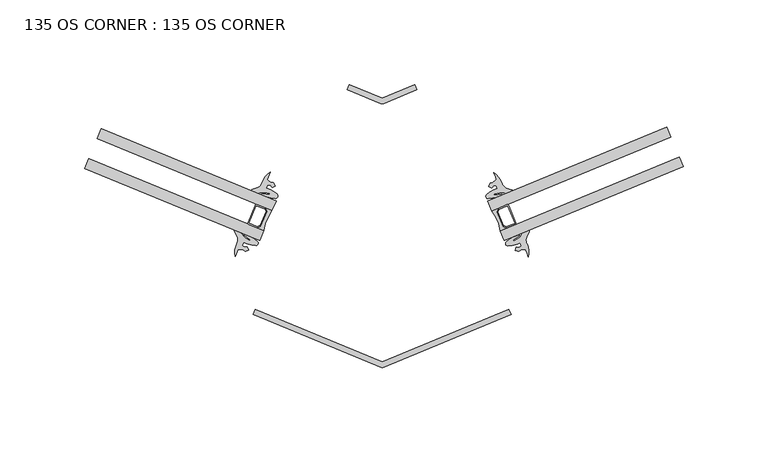
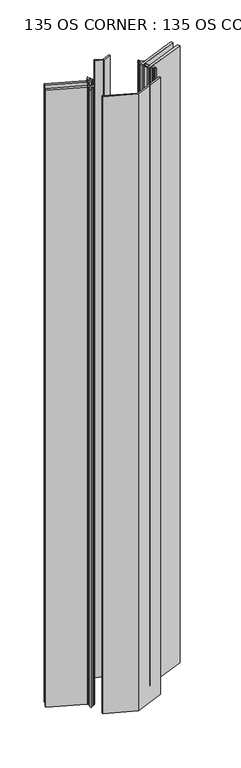
"""IFC4 building model written with IfcOpenShell, lengths in millimetres: plate geometry, 135 OS CORNER : 135 OS CORNER."""

from ifc_helpers import new_model, si_unit, point, frame_2d, origin, origin_with_axes, place, context, project, spatial, polyline, circle_curve, trimmed, segment, composite_curve, outline, extrude, source, transform, mapped, element, save


def plate_135_os_corner_135_os_corner_ef674a41(model_context):
    return source(origin(), model_context, "Body", "SweptSolid", [
        extrude(outline(composite_curve([segment(trimmed(circle_curve(frame_2d((-247.4179861, 32.050982)), 25.796875), [point((-268.0907983, 47.4819119))], [point((-272.9486148, 35.7477047))], True, "CARTESIAN"), True, "CONTINUOUS"), segment(polyline([(-272.9486148, 35.7477047), (-276.6155546, 37.2657723), (-274.5415516, 38.1253212), (-270.8981892, 46.9259766), (-271.757738, 48.9999795), (-268.0907983, 47.4819119)]), True, "CONTINUOUS")], self_intersect=False)), origin_with_axes(), (0.0, 0.0, 1.0), 1710.2666667),
        extrude(outline(composite_curve([segment(trimmed(circle_curve(frame_2d((-281.4456567, 40.124455)), 0.79375), [point((-281.7492702, 39.3910671))], [point((-282.1790446, 40.4280686))], False, "CARTESIAN"), True, "CONTINUOUS"), segment(polyline([(-282.1790446, 40.4280686), (-277.9284552, 50.6954999)]), True, "CONTINUOUS"), segment(trimmed(circle_curve(frame_2d((-277.1950672, 50.3918863)), 0.79375), [point((-277.9284552, 50.6954999))], [point((-276.8914537, 51.1252743))], False, "CARTESIAN"), True, "CONTINUOUS"), segment(polyline([(-276.8914537, 51.1252743), (-271.757738, 48.9999795), (-270.8981892, 46.9259766), (-274.5415516, 38.1253212), (-276.6155546, 37.2657723), (-281.7492702, 39.3910671)]), True, "CONTINUOUS")], self_intersect=False), holes=[polyline([(-275.1491787, 38.7327139), (-271.757338, 46.9258109), (-272.3651308, 48.3923524), (-277.1950672, 50.3918863), (-281.4456567, 40.124455), (-276.6157203, 38.1249211), (-275.1491787, 38.7327139)])]), origin_with_axes(), (0.0, 0.0, 1.0), 1710.2666667),
        extrude(outline(composite_curve([segment(trimmed(circle_curve(frame_2d((-159.1102684, 31.9815781)), 25.796875), [point((-133.5785892, 35.671038))], [point((-138.4330674, 47.4066266))], True, "CARTESIAN"), True, "CONTINUOUS"), segment(polyline([(-138.4330674, 47.4066266), (-134.765696, 48.923651), (-135.6258348, 46.8498927), (-131.9849761, 38.0482012), (-129.9112177, 37.1880624), (-133.5785892, 35.671038)]), True, "CONTINUOUS")], self_intersect=False)), origin_with_axes(), (0.0, 0.0, 1.0), 1710.2666667),
        extrude(outline(composite_curve([segment(trimmed(circle_curve(frame_2d((-129.3279711, 50.314011)), 0.79375), [point((-129.631376, 51.0474853))], [point((-128.5944968, 50.6174159))], False, "CARTESIAN"), True, "CONTINUOUS"), segment(polyline([(-128.5944968, 50.6174159), (-124.3468283, 40.3487759)]), True, "CONTINUOUS"), segment(trimmed(circle_curve(frame_2d((-125.0803026, 40.045371)), 0.79375), [point((-124.3468283, 40.3487759))], [point((-124.7768977, 39.3118967))], False, "CARTESIAN"), True, "CONTINUOUS"), segment(polyline([(-124.7768977, 39.3118967), (-129.9112177, 37.1880624), (-131.9849761, 38.0482012), (-135.6258348, 46.8498927), (-134.765696, 48.923651), (-129.631376, 51.0474853)]), True, "CONTINUOUS")], self_intersect=False), holes=[polyline([(-129.9108076, 38.0472111), (-125.0803026, 40.045371), (-129.3279711, 50.314011), (-134.1584761, 48.3158512), (-134.7666861, 46.8494826), (-131.3771762, 38.6554211), (-129.9108076, 38.0472111)])]), origin_with_axes(), (0.0, 0.0, 1.0), 1710.2666667),
        extrude(outline(polyline([(-275.3775231, 29.8806011), (-378.3408267, 72.5061342), (-375.9119185, 78.3732378), (-272.9486148, 35.7477047), (-275.3775231, 29.8806011)])), origin_with_axes(), (0.0, 0.0, 1.0), 1710.2666667),
        extrude(outline(polyline([(-268.0907983, 47.4819119), (-371.054102, 90.107445), (-368.6251937, 95.9745486), (-265.66189, 53.3490155), (-268.0907983, 47.4819119)])), origin_with_axes(), (0.0, 0.0, 1.0), 1710.2666667),
        extrude(outline(polyline([(-131.15135, 29.8032436), (-133.5785892, 35.671038), (-28.1455513, 79.2838817), (-25.7183122, 73.4160874), (-131.15135, 29.8032436)])), origin_with_axes(), (0.0, 0.0, 1.0), 1710.2666667),
        extrude(outline(polyline([(-33.0000296, 91.0194703), (-138.4330674, 47.4066266), (-140.8603066, 53.2744209), (-35.4272687, 96.8872647), (-33.0000296, 91.0194703)])), origin_with_axes(), (0.0, 0.0, 1.0), 1710.2666667),
        extrude(outline(polyline([(-127.1464657, -13.6338909), (-203.0315988, -45.0646833), (-278.9976671, -13.5708443), (-277.7817357, -10.6379046), (-203.1101326, -41.6606578), (-128.3619856, -10.7007806), (-127.1464657, -13.6338909)])), origin_with_axes(), (0.0, 0.0, 1.0), 1710.2666667),
        extrude(outline(composite_curve([segment(polyline([(-222.4045675, 121.8222341), (-203.1891079, 113.8421424), (-183.9125686, 121.8066819), (-182.6977616, 118.8732764), (-202.2412193, 110.7841258)]), True, "CONTINUOUS"), segment(trimmed(circle_curve(frame_2d((-203.1543347, 112.9902205)), 2.3876), [point((-202.2412193, 110.7841258))], [point((-204.0686104, 110.7846064))], False, "CARTESIAN"), True, "CONTINUOUS"), segment(polyline([(-204.0686104, 110.7846064), (-223.6208366, 118.8894345), (-222.4045675, 121.8222341)]), True, "CONTINUOUS")], self_intersect=False)), origin_with_axes(), (0.0, 0.0, 1.0), 1710.2666667),
        extrude(outline(composite_curve([segment(trimmed(circle_curve(frame_2d((-277.1452751, 44.485112)), 17.5118633), [point((-277.6403116, 26.9802471))], [point((-282.4746403, 27.8038883))], False, "CARTESIAN"), True, "CONTINUOUS"), segment(polyline([(-282.4746403, 27.8038883), (-284.7284864, 28.7145013), (-285.4263814, 26.9871506), (-284.3724356, 25.9602656), (-282.5321942, 26.218532), (-281.8493895, 24.2730407), (-283.9325974, 23.5786607), (-285.1582624, 24.5002423), (-287.8831093, 24.7072775), (-288.5778092, 23.3183342), (-289.6133399, 20.4326303)]), True, "CONTINUOUS"), segment(trimmed(circle_curve(frame_2d((-277.7091477, 23.0857858)), 12.196271), [point((-289.6133399, 20.4326303))], [point((-288.8719404, 27.9991439))], False, "CARTESIAN"), True, "CONTINUOUS"), segment(trimmed(circle_curve(frame_2d((-293.018268, 30.3489823)), 4.765897), [point((-288.8719404, 27.9991439))], [point((-288.5814515, 32.0892218))], True, "CARTESIAN"), True, "CONTINUOUS"), segment(polyline([(-288.5814515, 32.0892218), (-290.2849457, 35.395195)]), True, "CONTINUOUS"), segment(trimmed(circle_curve(frame_2d((-289.9103386, 35.5262648)), 0.396875), [point((-290.2849457, 35.395195))], [point((-289.7616666, 35.8942409))], False, "CARTESIAN"), True, "CONTINUOUS"), segment(polyline([(-289.7616666, 35.8942409), (-286.7331073, 34.6273469)]), True, "CONTINUOUS"), segment(trimmed(circle_curve(frame_2d((-287.5869516, 32.7907003)), 2.0254186), [point((-286.7331073, 34.6273469))], [point((-285.8422353, 33.8194305))], False, "CARTESIAN"), True, "CONTINUOUS"), segment(polyline([(-285.8422353, 33.8194305), (-284.7973132, 32.3424681)]), True, "CONTINUOUS"), segment(trimmed(circle_curve(frame_2d((-276.5801863, 40.882302)), 11.8511576), [point((-284.7973132, 32.3424681))], [point((-283.740965, 31.4391465))], True, "CARTESIAN"), True, "CONTINUOUS"), segment(polyline([(-283.740965, 31.4391465), (-281.0366052, 29.8744942)]), True, "CONTINUOUS"), segment(trimmed(circle_curve(frame_2d((-280.8997816, 30.1109815)), 0.2732159), [point((-281.0366052, 29.8744942))], [point((-280.7629579, 30.3474687))], True, "CARTESIAN"), True, "CONTINUOUS"), segment(polyline([(-280.7629579, 30.3474687), (-284.1516292, 32.895422)]), True, "CONTINUOUS"), segment(trimmed(circle_curve(frame_2d((-283.9738266, 33.1647136)), 0.3226944), [point((-284.1516292, 32.895422))], [point((-283.8637925, 33.4680685))], False, "CARTESIAN"), True, "CONTINUOUS"), segment(polyline([(-283.8637925, 33.4680685), (-280.7022451, 32.1907204)]), True, "CONTINUOUS"), segment(trimmed(circle_curve(frame_2d((-289.5175038, 15.1343859)), 19.1996701), [point((-280.7022451, 32.1907204))], [point((-276.6639888, 29.3967309))], False, "CARTESIAN"), True, "CONTINUOUS"), segment(trimmed(circle_curve(frame_2d((-277.6115273, 28.3740894)), 1.3941395), [point((-276.6639888, 29.3967309))], [point((-277.6403116, 26.9802471))], False, "CARTESIAN"), True, "CONTINUOUS")], self_intersect=False)), origin_with_axes(), (0.0, 0.0, 1.0), 1710.2666667),
        extrude(outline(composite_curve([segment(trimmed(circle_curve(frame_2d((-265.9922638, 56.1976132)), 1.3941395), [point((-265.0447253, 57.2202547))], [point((-266.0210481, 54.8037709))], False, "CARTESIAN"), True, "CONTINUOUS"), segment(trimmed(circle_curve(frame_2d((-265.3596357, 73.992045)), 19.1996701), [point((-266.0210481, 54.8037709))], [point((-270.8667948, 55.5991515))], False, "CARTESIAN"), True, "CONTINUOUS"), segment(polyline([(-270.8667948, 55.5991515), (-274.0283422, 56.8764996)]), True, "CONTINUOUS"), segment(trimmed(circle_curve(frame_2d((-273.8967661, 57.171151)), 0.3226944), [point((-274.0283422, 56.8764996))], [point((-273.8376009, 57.4883752))], False, "CARTESIAN"), True, "CONTINUOUS"), segment(polyline([(-273.8376009, 57.4883752), (-269.6300377, 56.9672505)]), True, "CONTINUOUS"), segment(trimmed(circle_curve(frame_2d((-269.5641826, 57.2324109)), 0.2732159), [point((-269.6300377, 56.9672505))], [point((-269.4983274, 57.4975713))], True, "CARTESIAN"), True, "CONTINUOUS"), segment(polyline([(-269.4983274, 57.4975713), (-272.5305799, 58.2506608)]), True, "CONTINUOUS"), segment(trimmed(circle_curve(frame_2d((-273.9393137, 46.4835283)), 11.8511576), [point((-272.5305799, 58.2506608))], [point((-273.917953, 58.3346667))], True, "CARTESIAN"), True, "CONTINUOUS"), segment(polyline([(-273.917953, 58.3346667), (-275.6955914, 57.9980928)]), True, "CONTINUOUS"), segment(trimmed(circle_curve(frame_2d((-276.2360193, 59.9500811)), 2.0254186), [point((-275.6955914, 57.9980928))], [point((-276.897657, 58.035778))], False, "CARTESIAN"), True, "CONTINUOUS"), segment(polyline([(-276.897657, 58.035778), (-279.9562788, 59.2282649)]), True, "CONTINUOUS"), segment(trimmed(circle_curve(frame_2d((-279.8076068, 59.596241)), 0.396875), [point((-279.9562788, 59.2282649))], [point((-279.9860279, 59.9507486))], False, "CARTESIAN"), True, "CONTINUOUS"), segment(polyline([(-279.9860279, 59.9507486), (-276.4641147, 61.1455202)]), True, "CONTINUOUS"), segment(trimmed(circle_curve(frame_2d((-278.4468215, 65.4794155)), 4.765897), [point((-276.4641147, 61.1455202))], [point((-273.831868, 64.2894666))], True, "CARTESIAN"), True, "CONTINUOUS"), segment(trimmed(circle_curve(frame_2d((-262.3889217, 60.0695132)), 12.196271), [point((-273.831868, 64.2894666))], [point((-269.1090443, 70.2473803))], False, "CARTESIAN"), True, "CONTINUOUS"), segment(polyline([(-269.1090443, 70.2473803), (-270.3687242, 67.4522386), (-270.83384, 65.9705373), (-268.7299304, 64.2266282), (-267.2080765, 64.0381401), (-266.191899, 62.0915271), (-268.0345194, 61.1663738), (-269.1788713, 62.6304942), (-270.6503508, 62.6239472), (-271.3482457, 60.8965966), (-269.0943996, 59.9859836)]), True, "CONTINUOUS"), segment(trimmed(circle_curve(frame_2d((-276.8485267, 44.2844274)), 17.5118633), [point((-269.0943996, 59.9859836))], [point((-265.0447253, 57.2202547))], False, "CARTESIAN"), True, "CONTINUOUS")], self_intersect=False)), origin_with_axes(), (0.0, 0.0, 1.0), 1710.2666667),
        extrude(outline(composite_curve([segment(trimmed(circle_curve(frame_2d((-128.9869102, 28.1756519)), 1.3941395), [point((-128.9581259, 26.7818096))], [point((-129.9344487, 29.1982934))], False, "CARTESIAN"), True, "CONTINUOUS"), segment(trimmed(circle_curve(frame_2d((-117.0809337, 14.9359484)), 19.1996701), [point((-129.9344487, 29.1982934))], [point((-125.8961924, 31.9922829))], False, "CARTESIAN"), True, "CONTINUOUS"), segment(polyline([(-125.8961924, 31.9922829), (-122.734645, 33.269631)]), True, "CONTINUOUS"), segment(trimmed(circle_curve(frame_2d((-122.6246109, 32.9662761)), 0.3226944), [point((-122.734645, 33.269631))], [point((-122.4468083, 32.6969845))], False, "CARTESIAN"), True, "CONTINUOUS"), segment(polyline([(-122.4468083, 32.6969845), (-125.8354796, 30.1490312)]), True, "CONTINUOUS"), segment(trimmed(circle_curve(frame_2d((-125.6986559, 29.912544)), 0.2732159), [point((-125.8354796, 30.1490312))], [point((-125.5618323, 29.6760567))], True, "CARTESIAN"), True, "CONTINUOUS"), segment(polyline([(-125.5618323, 29.6760567), (-122.8574725, 31.240709)]), True, "CONTINUOUS"), segment(trimmed(circle_curve(frame_2d((-130.0182512, 40.6838645)), 11.8511576), [point((-122.8574725, 31.240709))], [point((-121.8011243, 32.1440306))], True, "CARTESIAN"), True, "CONTINUOUS"), segment(polyline([(-121.8011243, 32.1440306), (-120.7562022, 33.620993)]), True, "CONTINUOUS"), segment(trimmed(circle_curve(frame_2d((-119.0114859, 32.5922628)), 2.0254186), [point((-120.7562022, 33.620993))], [point((-119.8653302, 34.4289094))], False, "CARTESIAN"), True, "CONTINUOUS"), segment(polyline([(-119.8653302, 34.4289094), (-116.8367709, 35.6958034)]), True, "CONTINUOUS"), segment(trimmed(circle_curve(frame_2d((-116.6880989, 35.3278273)), 0.396875), [point((-116.8367709, 35.6958034))], [point((-116.3134918, 35.1967575))], False, "CARTESIAN"), True, "CONTINUOUS"), segment(polyline([(-116.3134918, 35.1967575), (-118.016986, 31.8907843)]), True, "CONTINUOUS"), segment(trimmed(circle_curve(frame_2d((-113.5801695, 30.1505448)), 4.765897), [point((-118.016986, 31.8907843))], [point((-117.7264971, 27.8007064))], True, "CARTESIAN"), True, "CONTINUOUS"), segment(trimmed(circle_curve(frame_2d((-128.8892898, 22.8873483)), 12.196271), [point((-117.7264971, 27.8007064))], [point((-116.9850976, 20.2341928))], False, "CARTESIAN"), True, "CONTINUOUS"), segment(polyline([(-116.9850976, 20.2341928), (-118.0206283, 23.1198967), (-118.7153282, 24.50884), (-121.4401751, 24.3018048), (-122.6658401, 23.3802232), (-124.749048, 24.0746032), (-124.0662433, 26.0200945), (-122.2260019, 25.7618281), (-121.1720561, 26.7887131), (-121.8699511, 28.5160638), (-124.1237972, 27.6054508)]), True, "CONTINUOUS"), segment(trimmed(circle_curve(frame_2d((-129.4531624, 44.2866745)), 17.5118633), [point((-124.1237972, 27.6054508))], [point((-128.9581259, 26.7818096))], False, "CARTESIAN"), True, "CONTINUOUS")], self_intersect=False)), origin_with_axes(), (0.0, 0.0, 1.0), 1710.2666667),
        extrude(outline(composite_curve([segment(trimmed(circle_curve(frame_2d((-129.7499108, 44.0859899)), 17.5118633), [point((-141.5537122, 57.0218172))], [point((-137.5040379, 59.7875461))], False, "CARTESIAN"), True, "CONTINUOUS"), segment(polyline([(-137.5040379, 59.7875461), (-135.2501918, 60.6981591), (-135.9480867, 62.4255097), (-137.4195662, 62.4320567), (-138.5639181, 60.9679363), (-140.4065385, 61.8930896), (-139.390361, 63.8397026), (-137.8685071, 64.0281907), (-135.7645975, 65.7720998), (-136.2297133, 67.2538011), (-137.4893932, 70.0489428)]), True, "CONTINUOUS"), segment(trimmed(circle_curve(frame_2d((-144.2095158, 59.8710757)), 12.196271), [point((-137.4893932, 70.0489428))], [point((-132.7665695, 64.0910291))], False, "CARTESIAN"), True, "CONTINUOUS"), segment(trimmed(circle_curve(frame_2d((-128.151616, 65.280978)), 4.765897), [point((-132.7665695, 64.0910291))], [point((-130.1343228, 60.9470827))], True, "CARTESIAN"), True, "CONTINUOUS"), segment(polyline([(-130.1343228, 60.9470827), (-126.6124096, 59.7523111)]), True, "CONTINUOUS"), segment(trimmed(circle_curve(frame_2d((-126.7908307, 59.3978035)), 0.396875), [point((-126.6124096, 59.7523111))], [point((-126.6421587, 59.0298274))], False, "CARTESIAN"), True, "CONTINUOUS"), segment(polyline([(-126.6421587, 59.0298274), (-129.7007805, 57.8373405)]), True, "CONTINUOUS"), segment(trimmed(circle_curve(frame_2d((-130.3624182, 59.7516436)), 2.0254186), [point((-129.7007805, 57.8373405))], [point((-130.9028461, 57.7996553))], False, "CARTESIAN"), True, "CONTINUOUS"), segment(polyline([(-130.9028461, 57.7996553), (-132.6804845, 58.1362292)]), True, "CONTINUOUS"), segment(trimmed(circle_curve(frame_2d((-132.6591238, 46.2850908)), 11.8511576), [point((-132.6804845, 58.1362292))], [point((-134.0678576, 58.0522233))], True, "CARTESIAN"), True, "CONTINUOUS"), segment(polyline([(-134.0678576, 58.0522233), (-137.1001101, 57.2991338)]), True, "CONTINUOUS"), segment(trimmed(circle_curve(frame_2d((-137.0342549, 57.0339734)), 0.2732159), [point((-137.1001101, 57.2991338))], [point((-136.9683998, 56.768813))], True, "CARTESIAN"), True, "CONTINUOUS"), segment(polyline([(-136.9683998, 56.768813), (-132.7608366, 57.2899377)]), True, "CONTINUOUS"), segment(trimmed(circle_curve(frame_2d((-132.7016714, 56.9727135)), 0.3226944), [point((-132.7608366, 57.2899377))], [point((-132.5700953, 56.6780621))], False, "CARTESIAN"), True, "CONTINUOUS"), segment(polyline([(-132.5700953, 56.6780621), (-135.7316427, 55.400714)]), True, "CONTINUOUS"), segment(trimmed(circle_curve(frame_2d((-141.2388018, 73.7936075)), 19.1996701), [point((-135.7316427, 55.400714))], [point((-140.5773894, 54.6053334))], False, "CARTESIAN"), True, "CONTINUOUS"), segment(trimmed(circle_curve(frame_2d((-140.6061737, 55.9991757)), 1.3941395), [point((-140.5773894, 54.6053334))], [point((-141.5537122, 57.0218172))], False, "CARTESIAN"), True, "CONTINUOUS")], self_intersect=False)), origin_with_axes(), (0.0, 0.0, 1.0), 1710.2666667),
    ])


if __name__ == "__main__":
    model = new_model("IFC4")
    model_context = context("Model", 3, world=origin())
    ifc_project = project(units=[si_unit("LENGTHUNIT", "METRE", prefix="MILLI")], contexts=[model_context])
    site = spatial("IfcSite", under=ifc_project)
    building = spatial("IfcBuilding", under=site)
    placement = place(None, origin())
    plate_135_os_corner_135_os_corner_shape = plate_135_os_corner_135_os_corner_ef674a41(model_context)
    element("IfcPlate", 1, ObjectType="135 OS CORNER : 135 OS CORNER", at=placement, inside=building, context=model_context, shape_type="MappedRepresentation", body=[
        mapped(plate_135_os_corner_135_os_corner_shape, transform((0.0, 0.0, 0.0), x_axis=(1.0, 0.0, 0.0), y_axis=(0.0, 1.0, 0.0), z_axis=(0.0, 0.0, 1.0))),
    ])
    save(model, "model.ifc")
